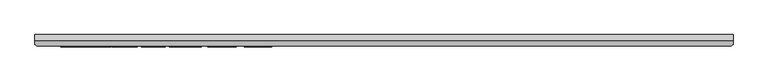
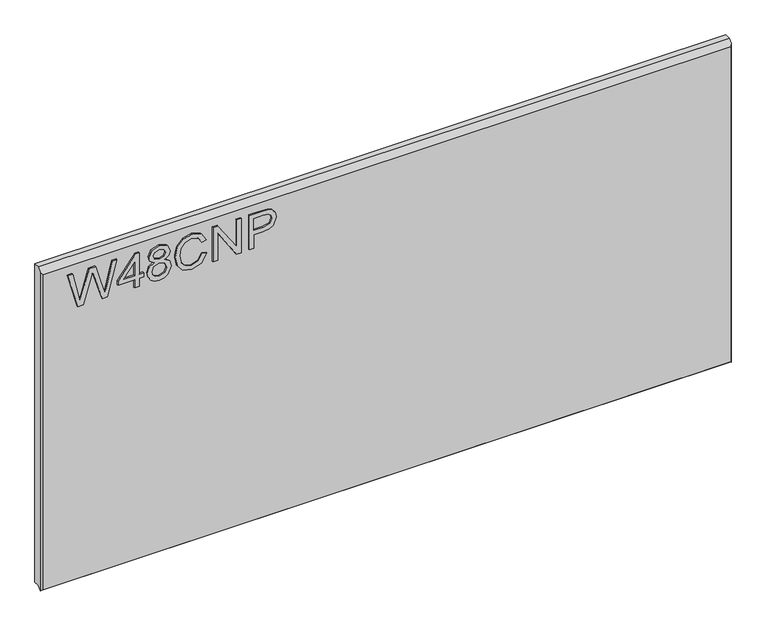
"""IFC4 building model written with IfcOpenShell, lengths in millimetres: furniture geometry."""

from ifc_helpers import new_model, si_unit, frame, origin, place, context, project, spatial, polyline, outline, extrude, faceted_brep, source, transform, mapped, element, save


def furniture_1d494817(model_context):
    return source(origin(), model_context, "Body", "SolidModel", [
        extrude(outline(polyline([(1017.7145, -832.8197895), (1017.7145, -823.1952607), (1065.5256704, -809.2568251), (1073.7952897, -806.8584797), (1066.9273008, -804.7248868), (1017.7145, -789.4315417), (1017.7145, -780.9127436), (1081.5042569, -763.5013793), (1081.5042569, -771.7242776), (1039.2061662, -781.9094586), (1026.6382136, -784.9307508), (1050.0298676, -791.7675924), (1081.5042569, -800.9560583), (1081.5042569, -812.8076221), (1038.0848618, -825.453443), (1026.6382136, -828.7862087), (1039.5799343, -831.9009429), (1081.5042569, -841.9926818), (1081.5042569, -850.2155801), (1017.7145, -832.8197895)])), frame((0.0, -21.9273437, 0.0), z_axis=(0.0, 1.0, 0.0), x_axis=(0.0, 0.0, 1.0)), (0.0, 0.0, 1.0), 2.38125),
        extrude(outline(polyline([(1017.7145, -732.6032158), (1017.7145, -724.6294961), (1032.6652243, -724.6294961), (1032.6652243, -716.6557765), (1040.6389439, -716.6557765), (1040.6389439, -724.6294961), (1080.507542, -724.6294961), (1080.507542, -730.6097859), (1040.6389439, -761.5079494), (1032.6652243, -761.5079494), (1032.6652243, -732.6032158), (1017.7145, -732.6032158)]), holes=[polyline([(1040.6389439, -732.6032158), (1040.6389439, -751.6965366), (1065.2764916, -732.6032158), (1040.6389439, -732.6032158)])]), frame((0.0, -21.9273437, 0.0), z_axis=(0.0, 1.0, 0.0), x_axis=(0.0, 0.0, 1.0)), (0.0, 0.0, 1.0), 2.38125),
        extrude(outline(polyline([(1052.8487021, -698.0608132), (1047.0552964, -706.6574797), (1036.4963474, -709.6787719), (1028.7387125, -708.2382073), (1022.3788145, -703.9165135), (1018.1330424, -697.2431955), (1016.717785, -688.7477579), (1018.1272023, -680.2523203), (1022.355454, -673.5790022), (1036.278316, -667.8167439), (1046.5958731, -670.7212335), (1052.8487021, -679.2010975), (1057.777769, -672.1384376), (1065.2920653, -669.8101738), (1076.7854346, -675.0429273), (1081.5042569, -688.8567736), (1076.8944503, -702.5460305), (1065.5100967, -707.685342), (1057.8011295, -705.3259308), (1052.8487021, -698.0608132)]), holes=[polyline([(1065.2764916, -699.7116223), (1071.1010446, -696.83828), (1073.5305373, -688.7477579), (1071.0465368, -680.6805962), (1064.9182972, -677.7838934), (1059.0003022, -680.5871542), (1056.5863831, -688.6543158), (1059.0158758, -696.885001), (1065.2764916, -699.7116223)]), polyline([(1036.7766735, -701.7050522), (1045.2331769, -698.3333524), (1048.6126635, -688.9502156), (1045.1864559, -679.2945395), (1036.5274947, -675.7904635), (1028.0320571, -679.1855238), (1024.6915047, -688.6854632), (1026.2800191, -695.6624678), (1030.7730232, -700.3735034), (1036.7766735, -701.7050522)])]), frame((0.0, -21.9273437, 0.0), z_axis=(0.0, 1.0, 0.0), x_axis=(0.0, 0.0, 1.0)), (0.0, 0.0, 1.0), 2.38125),
        extrude(outline(polyline([(1040.3897652, -612.9974215), (1028.6472171, -619.7641816), (1024.6915047, -631.9661529), (1027.5959943, -642.9689516), (1036.371758, -650.4598874), (1050.1077359, -652.8660196), (1061.9592997, -650.8336555), (1071.1166183, -643.7865693), (1074.5272523, -631.3120587), (1071.4514522, -620.5350783), (1061.6478263, -613.9941364), (1063.5478141, -606.0204168), (1077.5329708, -615.0297856), (1082.5009719, -631.0005853), (1078.662062, -646.3250777), (1067.4256582, -657.063124), (1050.0921623, -660.8397392), (1033.0389924, -657.4991867), (1020.9071026, -647.7656423), (1016.717785, -631.1718957), (1022.2542251, -614.4769202), (1038.3340406, -605.0237019), (1040.3897652, -612.9974215)])), frame((0.0, -21.9273437, 0.0), z_axis=(0.0, 1.0, 0.0), x_axis=(0.0, 0.0, 1.0)), (0.0, 0.0, 1.0), 2.38125),
        extrude(outline(polyline([(1017.7145, -594.0598374), (1017.7145, -586.0861178), (1068.2666365, -586.0861178), (1017.7145, -552.7584616), (1017.7145, -544.2240898), (1081.5042569, -544.2240898), (1081.5042569, -552.1978094), (1030.9676941, -552.1978094), (1081.5042569, -585.5254656), (1081.5042569, -594.0598374), (1017.7145, -594.0598374)])), frame((0.0, -21.9273437, 0.0), z_axis=(0.0, 1.0, 0.0), x_axis=(0.0, 0.0, 1.0)), (0.0, 0.0, 1.0), 2.38125),
        extrude(outline(polyline([(1017.7145, -530.2700805), (1017.7145, -522.2963608), (1043.6290888, -522.2963608), (1043.6290888, -506.0841692), (1045.038506, -494.7562702), (1049.2667577, -487.5592874), (1063.0494567, -482.4277627), (1071.747352, -484.3277506), (1077.9145257, -489.3502596), (1080.8968838, -497.0981609), (1081.5042569, -506.6292477), (1081.5042569, -530.2700805), (1017.7145, -530.2700805)]), holes=[polyline([(1051.6028084, -522.2963608), (1073.5305373, -522.2963608), (1073.5305373, -505.8038431), (1072.9854588, -497.8301235), (1069.3723671, -492.4494201), (1062.7691306, -490.4014824), (1054.5306585, -493.874411), (1051.6028084, -505.6169591), (1051.6028084, -522.2963608)])]), frame((0.0, -21.9273437, 0.0), z_axis=(0.0, 1.0, 0.0), x_axis=(0.0, 0.0, 1.0)), (0.0, 0.0, 1.0), 2.38125),
        faceted_brep([(-895.6622951, 0.0, 1106.6145), (-895.6622951, 0.0, 512.7625), (-895.6622951, -10.0210937, 512.7625), (-895.6622951, -15.9392937, 506.8443), (-895.6622951, -15.9900937, 1100.6455), (-895.6622951, -10.0210937, 1106.6145), (-895.6622951, -16.3710938, 506.4125), (-895.6622951, -16.8028938, 506.8443), (323.5377049, 0.0, 512.7625), (323.5377049, 0.0, 1106.6145), (323.5377049, -10.0210938, 1106.6145), (323.5377049, -15.9900937, 1100.6455), (323.5377049, -15.9900937, 506.8443), (323.5377049, -10.0210937, 512.7625), (323.5377049, -16.8028938, 506.8443), (323.5377049, -16.3710938, 506.4125), (-892.4872951, -19.5460937, 1097.0895), (-892.4872951, -19.5460937, 509.5875), (320.3627049, -19.5460938, 509.5875), (320.3627049, -19.5460938, 1097.0895), (322.8119906, -16.8028938, 506.8443), (-894.9365808, -16.8028938, 506.8443)], [[[0, 1, 2, 3, 4, 5]], [[3, 6, 7]], [[8, 9, 10, 11, 12, 13]], [[14, 15, 12]], [[9, 0, 5, 10]], [[1, 0, 9, 8]], [[1, 8, 13, 2]], [[16, 17, 18, 19]], [[15, 6, 3, 2, 13, 12]], [[6, 15, 14, 20, 18, 17, 21, 7]], [[10, 5, 4, 16, 19, 11]], [[21, 3, 7]], [[12, 20, 14]], [[3, 21, 17, 16, 4]], [[20, 12, 11, 19, 18]]]),
    ])


if __name__ == "__main__":
    model = new_model("IFC4")
    model_context = context("Model", 3, world=origin())
    ifc_project = project(units=[si_unit("LENGTHUNIT", "METRE", prefix="MILLI")], contexts=[model_context])
    site = spatial("IfcSite", under=ifc_project)
    building = spatial("IfcBuilding", under=site)
    placement = place(None, origin())
    furniture_shape = furniture_1d494817(model_context)
    element("IfcFurniture", 1, at=placement, inside=building, context=model_context, shape_type="MappedRepresentation", body=[
        mapped(furniture_shape, transform((0.0, 0.0, 0.0), x_axis=(1.0, 0.0, 0.0), y_axis=(0.0, 1.0, 0.0), z_axis=(0.0, 0.0, 1.0))),
    ])
    save(model, "model.ifc")
